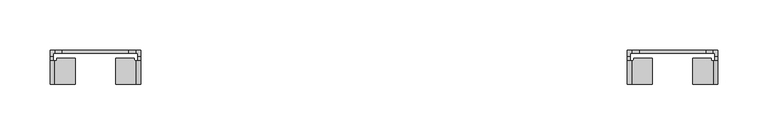
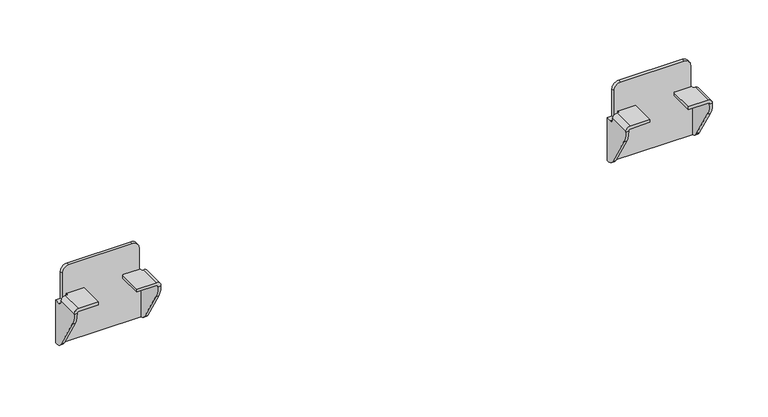
"""IFC4 building model written with IfcOpenShell, lengths in millimetres: furniture geometry."""

from ifc_helpers import new_model, si_unit, frame, origin, place, context, project, spatial, polyline, circle_curve, source, transform, mapped, element, save
from ifc_brep_helpers import plane_surface, cylinder_surface, revolved_surface, advanced_brep


def furniture_c36ca476(model_context):
    return source(origin(), model_context, "Body", "AdvancedBrep", [
        advanced_brep(
        [(721.9999933, 1.06716, 620.0380983), (721.9999933, 4.1049999, 620.0380983), (716.9999987, 4.1049999, 620.0380983), (716.9999987, -1.6875933, 620.0380983), (720.0378311, -1.6875933, 620.0380983), (720.0378311, 1.06716, 620.0380983), (802.0000067, 4.1049999, 620.0380983), (802.0000067, 1.06716, 620.0380983), (803.9621689, 1.06716, 620.0380983), (803.9621689, -1.6875933, 620.0380983), (807.0000013, -1.6875933, 620.0380983), (807.0000013, 4.1049999, 620.0380983), (801.9999885, 4.1049999, 649.8381144), (801.9999885, 1.06716, 649.8381144), (794.9999979, 4.1049999, 656.838105), (794.9999979, 1.06716, 656.838105), (729.0000021, 4.1049999, 656.838105), (729.0000021, 1.06716, 656.838105), (721.9999933, 4.1049999, 649.8380962), (721.9999933, 1.06716, 649.8380962), (741.9999989, -29.5203411, 626.5001312), (741.9999989, -29.5203411, 629.5379545), (721.4425228, -29.5203411, 629.5379545), (716.9999987, -29.5203411, 625.0954304), (716.9999987, -29.5203411, 624.6295199), (720.0378311, -29.5203411, 624.6295199), (720.0378311, -29.5203411, 625.0357436), (721.5022188, -29.5203411, 626.5001312), (782.0000011, -29.5203411, 626.5001312), (802.4977812, -29.5203411, 626.5001312), (803.9621689, -29.5203411, 625.0357436), (803.9621689, -29.5203411, 624.6295199), (807.0000013, -29.5203411, 624.6295199), (807.0000013, -29.5203411, 625.0954304), (802.5574772, -29.5203411, 629.5379545), (782.0000011, -29.5203411, 629.5379545), (807.0000013, 4.1049999, 573.0381329), (716.9999987, 4.1049999, 573.0381329), (741.9999989, -4.3999769, 626.5001312), (741.9999989, -4.3999769, 629.5379545), (741.1203621, -3.5203401, 629.5379545), (724.237616, -3.5203401, 629.5379545), (723.4999926, -4.2579635, 629.5379545), (723.4999926, -5.4397153, 629.5379545), (722.9193678, -6.0203402, 629.5379545), (721.4425228, -6.0203402, 629.5379545), (716.9999987, -6.0203402, 625.0954304), (716.9999987, -6.0203402, 624.3708452), (716.9999987, 0.8823599, 573.0381329), (716.9999987, -5.9290326, 577.9183582), (716.9999987, -25.8702399, 611.375914), (720.0378311, 0.8823599, 573.0381329), (807.0000013, 0.8823599, 573.0381329), (803.9621689, 0.8823599, 573.0381329), (803.9621689, 1.06716, 573.0381329), (720.0378311, 1.06716, 573.0381329), (720.0378311, -25.8702399, 611.375914), (720.0378311, -5.9290326, 577.9183582), (720.0378311, -6.0203402, 624.3708452), (720.0378311, -6.0203402, 625.0357436), (721.5022188, -6.0203402, 626.5001312), (722.9193678, -6.0203402, 626.5001312), (723.4999926, -5.4397153, 626.5001312), (723.4999926, -4.2579635, 626.5001312), (724.237616, -3.5203401, 626.5001312), (741.1203621, -3.5203401, 626.5001312), (782.0000011, -4.3999769, 626.5001312), (782.8796379, -3.5203401, 626.5001312), (799.762384, -3.5203401, 626.5001312), (800.5000074, -4.2579635, 626.5001312), (800.5000074, -5.4397153, 626.5001312), (801.0806322, -6.0203402, 626.5001312), (802.4977812, -6.0203402, 626.5001312), (803.9621689, -6.0203402, 625.0357436), (803.9621689, -6.0203402, 624.3708452), (803.9621689, -5.9290326, 577.9183582), (803.9621689, -25.8702399, 611.375914), (807.0000013, -25.8702399, 611.375914), (807.0000013, -5.9290326, 577.9183582), (807.0000013, -6.0203402, 624.3708452), (807.0000013, -6.0203402, 625.0954304), (802.5574772, -6.0203402, 629.5379545), (801.0806322, -6.0203402, 629.5379545), (800.5000074, -5.4397153, 629.5379545), (800.5000074, -4.2579635, 629.5379545), (799.762384, -3.5203401, 629.5379545), (782.8796379, -3.5203401, 629.5379545), (782.0000011, -4.3999769, 629.5379545)],
        [
            (0, 1),
            (1, 2),
            (2, 3),
            (3, 4),
            (4, 5),
            (5, 0),
            (6, 7),
            (7, 8),
            (8, 9),
            (9, 10),
            (10, 11),
            (11, 6),
            (12, 13),
            (13, 7),
            (6, 12),
            (12, 14, circle_curve(frame((794.9999979, 4.1049999, 649.8381144), z_axis=(0.0, -1.0, 0.0), x_axis=(1.0, 0.0, 0.0)), 6.9999906)),
            (14, 15),
            (15, 13, circle_curve(frame((794.9999979, 1.06716, 649.8381144), z_axis=(0.0, 1.0, 0.0), x_axis=(1.0, 0.0, 0.0)), 6.9999906)),
            (14, 16),
            (16, 17),
            (17, 15),
            (16, 18, circle_curve(frame((729.0000021, 4.1049999, 649.8380962), z_axis=(0.0, -1.0, 0.0), x_axis=(1.0, 0.0, 0.0)), 7.0000088)),
            (18, 19),
            (19, 17, circle_curve(frame((729.0000021, 1.06716, 649.8380962), z_axis=(0.0, 1.0, 0.0), x_axis=(1.0, 0.0, 0.0)), 7.0000088)),
            (18, 1),
            (0, 19),
            (20, 21),
            (21, 22),
            (22, 23, circle_curve(frame((721.4425228, -29.5203411, 625.0954304), z_axis=(0.0, -1.0, 0.0), x_axis=(1.0, 0.0, 0.0)), 4.4425241)),
            (23, 24),
            (24, 25),
            (25, 26),
            (26, 27, circle_curve(frame((721.5022188, -29.5203411, 625.0357436), z_axis=(0.0, 1.0, 0.0), x_axis=(1.0, 0.0, 0.0)), 1.4643876)),
            (27, 20),
            (28, 29),
            (29, 30, circle_curve(frame((802.4977812, -29.5203411, 625.0357436), z_axis=(0.0, 1.0, 0.0), x_axis=(-1.0, 0.0, 0.0)), 1.4643876)),
            (30, 31),
            (31, 32),
            (32, 33),
            (33, 34, circle_curve(frame((802.5574772, -29.5203411, 625.0954304), z_axis=(0.0, -1.0, 0.0), x_axis=(-1.0, 0.0, 0.0)), 4.4425241)),
            (34, 35),
            (35, 28),
            (11, 36),
            (36, 37),
            (37, 2),
            (20, 38),
            (38, 39),
            (39, 21),
            (39, 40, circle_curve(frame((741.1203621, -4.3999769, 629.5379545), z_axis=(0.0, 0.0, 1.0), x_axis=(1.0, 0.0, 0.0)), 0.8796369)),
            (40, 41),
            (41, 42, circle_curve(frame((724.237616, -4.2579635, 629.5379545), z_axis=(0.0, 0.0, 1.0), x_axis=(1.0, 0.0, 0.0)), 0.7376234)),
            (42, 43),
            (43, 44, circle_curve(frame((722.9193678, -5.4397153, 629.5379545), z_axis=(0.0, 0.0, -1.0), x_axis=(1.0, 0.0, 0.0)), 0.5806249)),
            (44, 45),
            (45, 22),
            (45, 46, circle_curve(frame((721.4425228, -6.0203402, 625.0954304), z_axis=(0.0, -1.0, 0.0), x_axis=(1.0, 0.0, 0.0)), 4.4425241)),
            (46, 23),
            (46, 47),
            (47, 3, circle_curve(frame((716.9999987, -1.6875933, 624.3708452), z_axis=(1.0, 0.0, 0.0), x_axis=(0.0, -1.0, 0.0)), 4.3327469)),
            (37, 48),
            (48, 49, circle_curve(frame((716.9999987, 3.066225, 583.2796673), z_axis=(-1.0, 0.0, 0.0), x_axis=(0.0, -1.0, 0.0)), 10.4717856)),
            (49, 50),
            (50, 24, circle_curve(frame((716.9999987, -3.6332082, 624.6295199), z_axis=(-1.0, 0.0, 0.0), x_axis=(0.0, -1.0, 0.0)), 25.8871329)),
            (51, 48),
            (36, 52),
            (52, 53),
            (53, 54),
            (54, 55),
            (55, 51),
            (25, 56, circle_curve(frame((720.0378311, -3.6332082, 624.6295199), z_axis=(1.0, 0.0, 0.0), x_axis=(0.0, -1.0, 0.0)), 25.8871329)),
            (56, 57),
            (57, 51, circle_curve(frame((720.0378311, 3.066225, 583.2796673), z_axis=(1.0, 0.0, 0.0), x_axis=(0.0, -1.0, 0.0)), 10.4717856)),
            (55, 5),
            (4, 58, circle_curve(frame((720.0378311, -1.6875933, 624.3708452), z_axis=(-1.0, 0.0, 0.0), x_axis=(0.0, -1.0, 0.0)), 4.3327469)),
            (58, 59),
            (59, 26),
            (59, 60, circle_curve(frame((721.5022188, -6.0203402, 625.0357436), z_axis=(0.0, 1.0, 0.0), x_axis=(1.0, 0.0, 0.0)), 1.4643876)),
            (60, 27),
            (60, 61),
            (61, 62, circle_curve(frame((722.9193678, -5.4397153, 626.5001312), z_axis=(0.0, 0.0, 1.0), x_axis=(1.0, 0.0, 0.0)), 0.5806249)),
            (62, 63),
            (63, 64, circle_curve(frame((724.237616, -4.2579635, 626.5001312), z_axis=(0.0, 0.0, -1.0), x_axis=(1.0, 0.0, 0.0)), 0.7376234)),
            (64, 65),
            (65, 38, circle_curve(frame((741.1203621, -4.3999769, 626.5001312), z_axis=(0.0, 0.0, -1.0), x_axis=(1.0, 0.0, 0.0)), 0.8796369)),
            (28, 66),
            (66, 67, circle_curve(frame((782.8796379, -4.3999769, 626.5001312), z_axis=(0.0, 0.0, -1.0), x_axis=(-1.0, 0.0, 0.0)), 0.8796369)),
            (67, 68),
            (68, 69, circle_curve(frame((799.762384, -4.2579635, 626.5001312), z_axis=(0.0, 0.0, -1.0), x_axis=(-1.0, 0.0, 0.0)), 0.7376234)),
            (69, 70),
            (70, 71, circle_curve(frame((801.0806322, -5.4397153, 626.5001312), z_axis=(0.0, 0.0, 1.0), x_axis=(-1.0, 0.0, 0.0)), 0.5806249)),
            (71, 72),
            (72, 29),
            (72, 73, circle_curve(frame((802.4977812, -6.0203402, 625.0357436), z_axis=(0.0, 1.0, 0.0), x_axis=(-1.0, 0.0, 0.0)), 1.4643876)),
            (73, 30),
            (73, 74),
            (74, 9, circle_curve(frame((803.9621689, -1.6875933, 624.3708452), z_axis=(1.0, 0.0, 0.0), x_axis=(0.0, -1.0, 0.0)), 4.3327469)),
            (8, 54),
            (53, 75, circle_curve(frame((803.9621689, 3.066225, 583.2796673), z_axis=(-1.0, 0.0, 0.0), x_axis=(0.0, -1.0, 0.0)), 10.4717856)),
            (75, 76),
            (76, 31, circle_curve(frame((803.9621689, -3.6332082, 624.6295199), z_axis=(-1.0, 0.0, 0.0), x_axis=(0.0, -1.0, 0.0)), 25.8871329)),
            (32, 77, circle_curve(frame((807.0000013, -3.6332082, 624.6295199), z_axis=(1.0, 0.0, 0.0), x_axis=(0.0, -1.0, 0.0)), 25.8871329)),
            (77, 78),
            (78, 52, circle_curve(frame((807.0000013, 3.066225, 583.2796673), z_axis=(1.0, 0.0, 0.0), x_axis=(0.0, -1.0, 0.0)), 10.4717856)),
            (10, 79, circle_curve(frame((807.0000013, -1.6875933, 624.3708452), z_axis=(-1.0, 0.0, 0.0), x_axis=(0.0, -1.0, 0.0)), 4.3327469)),
            (79, 80),
            (80, 33),
            (80, 81, circle_curve(frame((802.5574772, -6.0203402, 625.0954304), z_axis=(0.0, -1.0, 0.0), x_axis=(-1.0, 0.0, 0.0)), 4.4425241)),
            (81, 34),
            (81, 82),
            (82, 83, circle_curve(frame((801.0806322, -5.4397153, 629.5379545), z_axis=(0.0, 0.0, -1.0), x_axis=(-1.0, 0.0, 0.0)), 0.5806249)),
            (83, 84),
            (84, 85, circle_curve(frame((799.762384, -4.2579635, 629.5379545), z_axis=(0.0, 0.0, 1.0), x_axis=(-1.0, 0.0, 0.0)), 0.7376234)),
            (85, 86),
            (86, 87, circle_curve(frame((782.8796379, -4.3999769, 629.5379545), z_axis=(0.0, 0.0, 1.0), x_axis=(-1.0, 0.0, 0.0)), 0.8796369)),
            (87, 35),
            (87, 66),
            (49, 57),
            (56, 50),
            (75, 78),
            (77, 76),
            (47, 58),
            (74, 79),
            (64, 41),
            (40, 65),
            (44, 61),
            (43, 62),
            (42, 63),
            (68, 85),
            (84, 69),
            (83, 70),
            (82, 71),
            (86, 67),
        ],
        [
            plane_surface(frame((720.8182251, 1.06716, 620.0380983), z_axis=(0.0, 0.0, 1.0), x_axis=(0.0, 1.0, 0.0))),
            plane_surface(frame((807.0000013, 1.06716, 620.0380983), z_axis=(0.0, 0.0, 1.0), x_axis=(0.0, 1.0, 0.0))),
            plane_surface(frame((801.9999885, 1.06716, 621.2198666), z_axis=(1.0, 0.0, 0.0), x_axis=(0.0, 1.0, 0.0))),
            cylinder_surface(frame((794.9999979, 4.1049999, 649.8381144), z_axis=(0.0, -1.0, 0.0), x_axis=(1.0, 0.0, 0.0)), 6.9999906),
            plane_surface(frame((794.9999979, 1.06716, 656.838105), z_axis=(0.0, 0.0, 1.0), x_axis=(0.0, 1.0, 0.0))),
            cylinder_surface(frame((729.0000021, 4.1049999, 649.8380962), z_axis=(0.0, -1.0, 0.0), x_axis=(1.0, 0.0, 0.0)), 7.0000088),
            plane_surface(frame((721.9999933, 1.06716, 649.8380962), z_axis=(-1.0, 0.0, 0.0), x_axis=(0.0, 1.0, 0.0))),
            plane_surface(frame((741.9999989, -29.5203411, 629.5379545), z_axis=(0.0, -1.0, 0.0), x_axis=(0.0, 0.0, 1.0))),
            plane_surface(frame((741.9999989, 4.1049999, 629.5379545), z_axis=(0.0, 1.0, 0.0), x_axis=(0.0, 0.0, -1.0))),
            plane_surface(frame((741.9999989, -29.5203411, 626.5001312), z_axis=(1.0, 0.0, 0.0), x_axis=(0.0, 1.0, 0.0))),
            plane_surface(frame((741.9999989, -29.5203411, 629.5379545), z_axis=(0.0, 0.0, 1.0), x_axis=(0.0, 1.0, 0.0))),
            cylinder_surface(frame((721.4425228, 4.1049999, 625.0954304), z_axis=(0.0, -1.0, 0.0), x_axis=(1.0, 0.0, 0.0)), 4.4425241),
            plane_surface(frame((716.9999987, -29.5203411, 625.0954304), z_axis=(-1.0, 0.0, 0.0), x_axis=(0.0, 1.0, 0.0))),
            plane_surface(frame((716.9999987, -29.5203411, 573.0381329), z_axis=(0.0, 0.0, -1.0), x_axis=(0.0, 1.0, 0.0))),
            plane_surface(frame((720.0378311, -29.5203411, 573.0381329), z_axis=(1.0, 0.0, 0.0), x_axis=(0.0, 1.0, 0.0))),
            revolved_surface(polyline([(722.9666064, -6.020340199999999, 625.0357436), (722.9666064, -29.5203411, 625.0357436)]), (721.5022188, 4.1049999, 625.0357436), (0.0, 1.0, 0.0)),
            plane_surface(frame((721.5022188, -29.5203411, 626.5001312), z_axis=(0.0, 0.0, -1.0), x_axis=(0.0, 1.0, 0.0))),
            plane_surface(frame((782.0000011, -29.5203411, 626.5001312), z_axis=(0.0, 0.0, -1.0), x_axis=(0.0, 1.0, 0.0))),
            revolved_surface(polyline([(801.0333936, -6.0203402, 625.0357436), (801.0333936, -29.5203411, 625.0357436)]), (802.4977812, 0.0, 625.0357436), (0.0, 1.0, 0.0)),
            plane_surface(frame((803.9621689, -29.5203411, 625.0357436), z_axis=(-1.0, 0.0, 0.0), x_axis=(0.0, 1.0, 0.0))),
            plane_surface(frame((807.0000013, -29.5203411, 573.0381329), z_axis=(1.0, 0.0, 0.0), x_axis=(0.0, 1.0, 0.0))),
            cylinder_surface(frame((802.5574772, 0.0, 625.0954304), z_axis=(0.0, -1.0, 0.0), x_axis=(-1.0, 0.0, 0.0)), 4.4425241),
            plane_surface(frame((802.5574772, -29.5203411, 629.5379545), z_axis=(0.0, 0.0, 1.0), x_axis=(0.0, 1.0, 0.0))),
            plane_surface(frame((782.0000011, -29.5203411, 629.5379545), z_axis=(-1.0, 0.0, 0.0), x_axis=(0.0, 1.0, 0.0))),
            plane_surface(frame((809.5335525, -5.9290326, 577.9183582), z_axis=(0.0, -0.8589994037788274, -0.5119765857025291), x_axis=(-1.0, 0.0, 0.0))),
            cylinder_surface(frame((714.7902719, -3.6332082, 624.6295199), z_axis=(-1.0, 0.0, 0.0), x_axis=(0.0, -1.0, 0.0)), 25.8871329),
            cylinder_surface(frame((714.7902719, 3.066225, 583.2796673), z_axis=(-1.0, 0.0, 0.0), x_axis=(0.0, -1.0, 0.0)), 10.4717856),
            revolved_surface(polyline([(720.0378311, -6.0203402, 624.3708452), (716.9999987, -6.0203402, 624.3708452)]), (714.7902719, -1.6875933, 624.3708452), (1.0, 0.0, 0.0)),
            revolved_surface(polyline([(803.9621689, -6.0203402, 624.3708452), (807.0000013, -6.0203402, 624.3708452)]), (809.2097281, -1.6875933, 624.3708452), (-1.0, 0.0, 0.0)),
            plane_surface(frame((724.237616, -3.5203401, 663.2138968), z_axis=(0.0, 1.0, 0.0), x_axis=(0.0, 0.0, -1.0))),
            cylinder_surface(frame((741.1203621, -4.3999769, 560.9501359), z_axis=(0.0, 0.0, -1.0), x_axis=(1.0, 0.0, 0.0)), 0.8796369),
            plane_surface(frame((741.9999989, 1.06716, 663.2138968), z_axis=(0.0, -1.0, 0.0), x_axis=(0.0, 0.0, -1.0))),
            plane_surface(frame((721.9999933, -6.0203402, 663.2138968), z_axis=(0.0, 1.0, 0.0), x_axis=(0.0, 0.0, -1.0))),
            revolved_surface(polyline([(723.4999927, -5.4397153, 629.5379545), (723.4999927, -5.4397153, 626.5001312)]), (722.9193678, -5.4397153, 560.9501359), (0.0, 0.0, 1.0)),
            plane_surface(frame((723.4999926, -5.4397153, 663.2138968), z_axis=(-1.0, 0.0, 0.0), x_axis=(0.0, 0.0, -1.0))),
            cylinder_surface(frame((724.237616, -4.2579635, 560.9501359), z_axis=(0.0, 0.0, -1.0), x_axis=(1.0, 0.0, 0.0)), 0.7376234),
            cylinder_surface(frame((799.762384, -4.2579635, 48.3485614), z_axis=(0.0, 0.0, -1.0), x_axis=(-1.0, 0.0, 0.0)), 0.7376234),
            plane_surface(frame((800.5000074, -4.2579635, 663.2138968), z_axis=(1.0, 0.0, 0.0), x_axis=(0.0, 0.0, -1.0))),
            revolved_surface(polyline([(800.5000073, -5.4397153, 629.5379545), (800.5000073, -5.4397153, 626.5001312)]), (801.0806322, -5.4397153, 48.3485614), (0.0, 0.0, 1.0)),
            plane_surface(frame((801.0806322, -6.0203402, 663.2138968), z_axis=(0.0, 1.0, 0.0), x_axis=(0.0, 0.0, -1.0))),
            cylinder_surface(frame((782.8796379, -4.3999769, 48.3485614), z_axis=(0.0, 0.0, -1.0), x_axis=(-1.0, 0.0, 0.0)), 0.8796369),
            plane_surface(frame((782.8796379, -3.5203401, 663.2138968), z_axis=(0.0, 1.0, 0.0), x_axis=(0.0, 0.0, -1.0))),
        ],
        [
            (0, [[1, 2, 3, 4, 5, 6]]),
            (1, [[7, 8, 9, 10, 11, 12]]),
            (2, [[13, 14, -7, 15]]),
            (3, [[16, 17, 18, -13]]),
            (4, [[19, 20, 21, -17]]),
            (5, [[22, 23, 24, -20]]),
            (6, [[-23, 25, -1, 26]]),
            (7, [[27, 28, 29, 30, 31, 32, 33, 34]]),
            (7, [[35, 36, 37, 38, 39, 40, 41, 42]]),
            (8, [[-22, -19, -16, -15, -12, 43, 44, 45, -2, -25]]),
            (9, [[-27, 46, 47, 48]]),
            (10, [[-28, -48, 49, 50, 51, 52, 53, 54, 55]]),
            (11, [[-29, -55, 56, 57]]),
            (12, [[-30, -57, 58, 59, -3, -45, 60, 61, 62, 63]]),
            (13, [[64, -60, -44, 65, 66, 67, 68, 69]]),
            (14, [[-32, 70, 71, 72, -69, 73, -5, 74, 75, 76]]),
            (15, [[-33, -76, 77, 78]]),
            (16, [[-34, -78, 79, 80, 81, 82, 83, 84, -46]]),
            (17, [[-35, 85, 86, 87, 88, 89, 90, 91, 92]]),
            (18, [[-36, -92, 93, 94]]),
            (19, [[-37, -94, 95, 96, -9, 97, -67, 98, 99, 100]]),
            (20, [[-39, 101, 102, 103, -65, -43, -11, 104, 105, 106]]),
            (21, [[-40, -106, 107, 108]]),
            (22, [[-41, -108, 109, 110, 111, 112, 113, 114, 115]]),
            (23, [[-42, -115, 116, -85]]),
            (24, [[117, -71, 118, -62]]),
            (24, [[119, -102, 120, -99]]),
            (25, [[-118, -70, -31, -63]]),
            (25, [[-120, -101, -38, -100]]),
            (26, [[-117, -61, -64, -72]]),
            (26, [[-119, -98, -66, -103]]),
            (27, [[121, -74, -4, -59]]),
            (28, [[122, -104, -10, -96]]),
            (29, [[123, -50, 124, -83]]),
            (30, [[-124, -49, -47, -84]]),
            (31, [[-14, -18, -21, -24, -26, -6, -73, -68, -97, -8]]),
            (32, [[125, -79, -77, -75, -121, -58, -56, -54]]),
            (33, [[-125, -53, 126, -80]]),
            (34, [[-126, -52, 127, -81]]),
            (35, [[-123, -82, -127, -51]]),
            (36, [[128, -112, 129, -88]]),
            (37, [[-129, -111, 130, -89]]),
            (38, [[-130, -110, 131, -90]]),
            (39, [[-131, -109, -107, -105, -122, -95, -93, -91]]),
            (40, [[132, -86, -116, -114]]),
            (41, [[-128, -87, -132, -113]]),
        ],
    ),
        advanced_brep(
        [(1374.9478062, 1.06716, 620.0380983), (1376.9099684, 1.06716, 620.0380983), (1376.9099684, -1.6875933, 620.0380983), (1379.9478008, -1.6875933, 620.0380983), (1379.9478008, 4.1049999, 620.0380983), (1374.9478062, 4.1049999, 620.0380983), (1294.9477929, 4.1049999, 620.0380983), (1289.9477983, 4.1049999, 620.0380983), (1289.9477983, -1.6875933, 620.0380983), (1292.9856307, -1.6875933, 620.0380983), (1292.9856307, 1.06716, 620.0380983), (1294.9477929, 1.06716, 620.0380983), (1294.947811, 4.1049999, 649.8381144), (1294.947811, 1.06716, 649.8381144), (1301.9478016, 1.06716, 656.838105), (1301.9478016, 4.1049999, 656.838105), (1367.9477974, 1.06716, 656.838105), (1367.9477974, 4.1049999, 656.838105), (1374.9478062, 1.06716, 649.8380962), (1374.9478062, 4.1049999, 649.8380962), (1354.9478006, -29.5203411, 626.5001312), (1375.4455808, -29.5203411, 626.5001312), (1376.9099684, -29.5203411, 625.0357436), (1376.9099684, -29.5203411, 624.6295199), (1379.9478008, -29.5203411, 624.6295199), (1379.9478008, -29.5203411, 625.0954304), (1375.5052767, -29.5203411, 629.5379545), (1354.9478006, -29.5203411, 629.5379545), (1314.9477985, -29.5203411, 626.5001312), (1314.9477985, -29.5203411, 629.5379545), (1294.3903224, -29.5203411, 629.5379545), (1289.9477983, -29.5203411, 625.0954304), (1289.9477983, -29.5203411, 624.6295199), (1292.9856307, -29.5203411, 624.6295199), (1292.9856307, -29.5203411, 625.0357436), (1294.4500183, -29.5203411, 626.5001312), (1379.9478008, 4.1049999, 573.0381329), (1289.9477983, 4.1049999, 573.0381329), (1354.9478006, -4.3999769, 629.5379545), (1354.9478006, -4.3999769, 626.5001312), (1375.5052767, -6.0203402, 629.5379545), (1374.0284318, -6.0203402, 629.5379545), (1373.4478069, -5.4397153, 629.5379545), (1373.4478069, -4.2579635, 629.5379545), (1372.7101835, -3.5203401, 629.5379545), (1355.8274375, -3.5203401, 629.5379545), (1379.9478008, -6.0203402, 625.0954304), (1379.9478008, -25.8702399, 611.375914), (1379.9478008, -5.9290326, 577.9183582), (1379.9478008, 0.8823599, 573.0381329), (1379.9478008, -6.0203402, 624.3708452), (1376.9099684, 0.8823599, 573.0381329), (1376.9099684, 1.06716, 573.0381329), (1292.9856307, 1.06716, 573.0381329), (1292.9856307, 0.8823599, 573.0381329), (1289.9477983, 0.8823599, 573.0381329), (1376.9099684, -6.0203402, 625.0357436), (1376.9099684, -6.0203402, 624.3708452), (1376.9099684, -5.9290326, 577.9183582), (1376.9099684, -25.8702399, 611.375914), (1375.4455808, -6.0203402, 626.5001312), (1355.8274375, -3.5203401, 626.5001312), (1372.7101835, -3.5203401, 626.5001312), (1373.4478069, -4.2579635, 626.5001312), (1373.4478069, -5.4397153, 626.5001312), (1374.0284318, -6.0203402, 626.5001312), (1294.4500183, -6.0203402, 626.5001312), (1295.8671673, -6.0203402, 626.5001312), (1296.4477921, -5.4397153, 626.5001312), (1296.4477921, -4.2579635, 626.5001312), (1297.1854155, -3.5203401, 626.5001312), (1314.0681616, -3.5203401, 626.5001312), (1314.9477985, -4.3999769, 626.5001312), (1292.9856307, -6.0203402, 625.0357436), (1292.9856307, -25.8702399, 611.375914), (1292.9856307, -5.9290326, 577.9183582), (1292.9856307, -6.0203402, 624.3708452), (1289.9477983, -6.0203402, 625.0954304), (1289.9477983, -6.0203402, 624.3708452), (1289.9477983, -5.9290326, 577.9183582), (1289.9477983, -25.8702399, 611.375914), (1294.3903224, -6.0203402, 629.5379545), (1314.9477985, -4.3999769, 629.5379545), (1314.0681616, -3.5203401, 629.5379545), (1297.1854155, -3.5203401, 629.5379545), (1296.4477921, -4.2579635, 629.5379545), (1296.4477921, -5.4397153, 629.5379545), (1295.8671673, -6.0203402, 629.5379545)],
        [
            (0, 1),
            (1, 2),
            (2, 3),
            (3, 4),
            (4, 5),
            (5, 0),
            (6, 7),
            (7, 8),
            (8, 9),
            (9, 10),
            (10, 11),
            (11, 6),
            (12, 6),
            (11, 13),
            (13, 12),
            (13, 14, circle_curve(frame((1301.9478016, 1.06716, 649.8381144), z_axis=(0.0, 1.0, 0.0), x_axis=(-1.0, 0.0, 0.0)), 6.9999906)),
            (14, 15),
            (15, 12, circle_curve(frame((1301.9478016, 4.1049999, 649.8381144), z_axis=(0.0, -1.0, 0.0), x_axis=(-1.0, 0.0, 0.0)), 6.9999906)),
            (14, 16),
            (16, 17),
            (17, 15),
            (16, 18, circle_curve(frame((1367.9477974, 1.06716, 649.8380962), z_axis=(0.0, 1.0, 0.0), x_axis=(-1.0, 0.0, 0.0)), 7.0000088)),
            (18, 19),
            (19, 17, circle_curve(frame((1367.9477974, 4.1049999, 649.8380962), z_axis=(0.0, -1.0, 0.0), x_axis=(-1.0, 0.0, 0.0)), 7.0000088)),
            (18, 0),
            (5, 19),
            (20, 21),
            (21, 22, circle_curve(frame((1375.4455808, -29.5203411, 625.0357436), z_axis=(0.0, 1.0, 0.0), x_axis=(-1.0, 0.0, 0.0)), 1.4643876)),
            (22, 23),
            (23, 24),
            (24, 25),
            (25, 26, circle_curve(frame((1375.5052767, -29.5203411, 625.0954304), z_axis=(0.0, -1.0, 0.0), x_axis=(-1.0, 0.0, 0.0)), 4.4425241)),
            (26, 27),
            (27, 20),
            (28, 29),
            (29, 30),
            (30, 31, circle_curve(frame((1294.3903224, -29.5203411, 625.0954304), z_axis=(0.0, -1.0, 0.0), x_axis=(1.0, 0.0, 0.0)), 4.4425241)),
            (31, 32),
            (32, 33),
            (33, 34),
            (34, 35, circle_curve(frame((1294.4500183, -29.5203411, 625.0357436), z_axis=(0.0, 1.0, 0.0), x_axis=(1.0, 0.0, 0.0)), 1.4643876)),
            (35, 28),
            (4, 36),
            (36, 37),
            (37, 7),
            (27, 38),
            (38, 39),
            (39, 20),
            (26, 40),
            (40, 41),
            (41, 42, circle_curve(frame((1374.0284318, -5.4397153, 629.5379545), z_axis=(0.0, 0.0, -1.0), x_axis=(-1.0, 0.0, 0.0)), 0.5806249)),
            (42, 43),
            (43, 44, circle_curve(frame((1372.7101835, -4.2579635, 629.5379545), z_axis=(0.0, 0.0, 1.0), x_axis=(-1.0, 0.0, 0.0)), 0.7376234)),
            (44, 45),
            (45, 38, circle_curve(frame((1355.8274375, -4.3999769, 629.5379545), z_axis=(0.0, 0.0, 1.0), x_axis=(-1.0, 0.0, 0.0)), 0.8796369)),
            (25, 46),
            (46, 40, circle_curve(frame((1375.5052767, -6.0203402, 625.0954304), z_axis=(0.0, -1.0, 0.0), x_axis=(-1.0, 0.0, 0.0)), 4.4425241)),
            (24, 47, circle_curve(frame((1379.9478008, -3.6332082, 624.6295199), z_axis=(1.0, 0.0, 0.0), x_axis=(0.0, -1.0, 0.0)), 25.8871329)),
            (47, 48),
            (48, 49, circle_curve(frame((1379.9478008, 3.066225, 583.2796673), z_axis=(1.0, 0.0, 0.0), x_axis=(0.0, -1.0, 0.0)), 10.4717856)),
            (49, 36),
            (3, 50, circle_curve(frame((1379.9478008, -1.6875933, 624.3708452), z_axis=(-1.0, 0.0, 0.0), x_axis=(0.0, -1.0, 0.0)), 4.3327469)),
            (50, 46),
            (51, 52),
            (52, 53),
            (53, 54),
            (54, 55),
            (55, 37),
            (49, 51),
            (22, 56),
            (56, 57),
            (57, 2, circle_curve(frame((1376.9099684, -1.6875933, 624.3708452), z_axis=(1.0, 0.0, 0.0), x_axis=(0.0, -1.0, 0.0)), 4.3327469)),
            (1, 52),
            (51, 58, circle_curve(frame((1376.9099684, 3.066225, 583.2796673), z_axis=(-1.0, 0.0, 0.0), x_axis=(0.0, -1.0, 0.0)), 10.4717856)),
            (58, 59),
            (59, 23, circle_curve(frame((1376.9099684, -3.6332082, 624.6295199), z_axis=(-1.0, 0.0, 0.0), x_axis=(0.0, -1.0, 0.0)), 25.8871329)),
            (21, 60),
            (60, 56, circle_curve(frame((1375.4455808, -6.0203402, 625.0357436), z_axis=(0.0, 1.0, 0.0), x_axis=(-1.0, 0.0, 0.0)), 1.4643876)),
            (39, 61, circle_curve(frame((1355.8274375, -4.3999769, 626.5001312), z_axis=(0.0, 0.0, -1.0), x_axis=(-1.0, 0.0, 0.0)), 0.8796369)),
            (61, 62),
            (62, 63, circle_curve(frame((1372.7101835, -4.2579635, 626.5001312), z_axis=(0.0, 0.0, -1.0), x_axis=(-1.0, 0.0, 0.0)), 0.7376234)),
            (63, 64),
            (64, 65, circle_curve(frame((1374.0284318, -5.4397153, 626.5001312), z_axis=(0.0, 0.0, 1.0), x_axis=(-1.0, 0.0, 0.0)), 0.5806249)),
            (65, 60),
            (35, 66),
            (66, 67),
            (67, 68, circle_curve(frame((1295.8671673, -5.4397153, 626.5001312), z_axis=(0.0, 0.0, 1.0), x_axis=(1.0, 0.0, 0.0)), 0.5806249)),
            (68, 69),
            (69, 70, circle_curve(frame((1297.1854155, -4.2579635, 626.5001312), z_axis=(0.0, 0.0, -1.0), x_axis=(1.0, 0.0, 0.0)), 0.7376234)),
            (70, 71),
            (71, 72, circle_curve(frame((1314.0681616, -4.3999769, 626.5001312), z_axis=(0.0, 0.0, -1.0), x_axis=(1.0, 0.0, 0.0)), 0.8796369)),
            (72, 28),
            (34, 73),
            (73, 66, circle_curve(frame((1294.4500183, -6.0203402, 625.0357436), z_axis=(0.0, 1.0, 0.0), x_axis=(1.0, 0.0, 0.0)), 1.4643876)),
            (33, 74, circle_curve(frame((1292.9856307, -3.6332082, 624.6295199), z_axis=(1.0, 0.0, 0.0), x_axis=(0.0, -1.0, 0.0)), 25.8871329)),
            (74, 75),
            (75, 54, circle_curve(frame((1292.9856307, 3.066225, 583.2796673), z_axis=(1.0, 0.0, 0.0), x_axis=(0.0, -1.0, 0.0)), 10.4717856)),
            (53, 10),
            (9, 76, circle_curve(frame((1292.9856307, -1.6875933, 624.3708452), z_axis=(-1.0, 0.0, 0.0), x_axis=(0.0, -1.0, 0.0)), 4.3327469)),
            (76, 73),
            (31, 77),
            (77, 78),
            (78, 8, circle_curve(frame((1289.9477983, -1.6875933, 624.3708452), z_axis=(1.0, 0.0, 0.0), x_axis=(0.0, -1.0, 0.0)), 4.3327469)),
            (55, 79, circle_curve(frame((1289.9477983, 3.066225, 583.2796673), z_axis=(-1.0, 0.0, 0.0), x_axis=(0.0, -1.0, 0.0)), 10.4717856)),
            (79, 80),
            (80, 32, circle_curve(frame((1289.9477983, -3.6332082, 624.6295199), z_axis=(-1.0, 0.0, 0.0), x_axis=(0.0, -1.0, 0.0)), 25.8871329)),
            (30, 81),
            (81, 77, circle_curve(frame((1294.3903224, -6.0203402, 625.0954304), z_axis=(0.0, -1.0, 0.0), x_axis=(1.0, 0.0, 0.0)), 4.4425241)),
            (29, 82),
            (82, 83, circle_curve(frame((1314.0681616, -4.3999769, 629.5379545), z_axis=(0.0, 0.0, 1.0), x_axis=(1.0, 0.0, 0.0)), 0.8796369)),
            (83, 84),
            (84, 85, circle_curve(frame((1297.1854155, -4.2579635, 629.5379545), z_axis=(0.0, 0.0, 1.0), x_axis=(1.0, 0.0, 0.0)), 0.7376234)),
            (85, 86),
            (86, 87, circle_curve(frame((1295.8671673, -5.4397153, 629.5379545), z_axis=(0.0, 0.0, -1.0), x_axis=(1.0, 0.0, 0.0)), 0.5806249)),
            (87, 81),
            (72, 82),
            (47, 59),
            (58, 48),
            (74, 80),
            (79, 75),
            (57, 50),
            (78, 76),
            (61, 45),
            (44, 62),
            (65, 41),
            (64, 42),
            (63, 43),
            (69, 85),
            (84, 70),
            (68, 86),
            (67, 87),
            (71, 83),
        ],
        [
            plane_surface(frame((1376.1295744, 1.06716, 620.0380983), z_axis=(0.0, 0.0, 1.0), x_axis=(0.0, 1.0, 0.0))),
            plane_surface(frame((1289.9477983, 1.06716, 620.0380983), z_axis=(0.0, 0.0, 1.0), x_axis=(0.0, 1.0, 0.0))),
            plane_surface(frame((1294.947811, 1.06716, 621.2198666), z_axis=(-1.0, 0.0, 0.0), x_axis=(0.0, 1.0, 0.0))),
            cylinder_surface(frame((1301.9478016, 4.1049999, 649.8381144), z_axis=(0.0, -1.0, 0.0), x_axis=(-1.0, 0.0, 0.0)), 6.9999906),
            plane_surface(frame((1301.9478016, 1.06716, 656.838105), z_axis=(0.0, 0.0, 1.0), x_axis=(0.0, 1.0, 0.0))),
            cylinder_surface(frame((1367.9477974, 4.1049999, 649.8380962), z_axis=(0.0, -1.0, 0.0), x_axis=(-1.0, 0.0, 0.0)), 7.0000088),
            plane_surface(frame((1374.9478062, 1.06716, 649.8380962), z_axis=(1.0, 0.0, 0.0), x_axis=(0.0, 1.0, 0.0))),
            plane_surface(frame((1354.9478006, -29.5203411, 629.5379545), z_axis=(0.0, -1.0, 0.0), x_axis=(0.0, 0.0, 1.0))),
            plane_surface(frame((1354.9478006, 4.1049999, 629.5379545), z_axis=(0.0, 1.0, 0.0), x_axis=(0.0, 0.0, -1.0))),
            plane_surface(frame((1354.9478006, -29.5203411, 626.5001312), z_axis=(-1.0, 0.0, 0.0), x_axis=(0.0, 1.0, 0.0))),
            plane_surface(frame((1354.9478006, -29.5203411, 629.5379545), z_axis=(0.0, 0.0, 1.0), x_axis=(0.0, 1.0, 0.0))),
            cylinder_surface(frame((1375.5052767, 4.1049999, 625.0954304), z_axis=(0.0, -1.0, 0.0), x_axis=(-1.0, 0.0, 0.0)), 4.4425241),
            plane_surface(frame((1379.9478008, -29.5203411, 625.0954304), z_axis=(1.0, 0.0, 0.0), x_axis=(0.0, 1.0, 0.0))),
            plane_surface(frame((1379.9478008, -29.5203411, 573.0381329), z_axis=(0.0, 0.0, -1.0), x_axis=(0.0, 1.0, 0.0))),
            plane_surface(frame((1376.9099684, -29.5203411, 573.0381329), z_axis=(-1.0, 0.0, 0.0), x_axis=(0.0, 1.0, 0.0))),
            revolved_surface(polyline([(1373.9811932, -6.020340199999999, 625.0357436), (1373.9811932, -29.5203411, 625.0357436)]), (1375.4455808, 4.1049999, 625.0357436), (0.0, 1.0, 0.0)),
            plane_surface(frame((1375.4455808, -29.5203411, 626.5001312), z_axis=(0.0, 0.0, -1.0), x_axis=(0.0, 1.0, 0.0))),
            plane_surface(frame((1314.9477985, -29.5203411, 626.5001312), z_axis=(0.0, 0.0, -1.0), x_axis=(0.0, 1.0, 0.0))),
            revolved_surface(polyline([(1295.9144059, -6.0203402, 625.0357436), (1295.9144059, -29.5203411, 625.0357436)]), (1294.4500183, 0.0, 625.0357436), (0.0, 1.0, 0.0)),
            plane_surface(frame((1292.9856307, -29.5203411, 625.0357436), z_axis=(1.0, 0.0, 0.0), x_axis=(0.0, 1.0, 0.0))),
            plane_surface(frame((1289.9477983, -29.5203411, 573.0381329), z_axis=(-1.0, 0.0, 0.0), x_axis=(0.0, 1.0, 0.0))),
            cylinder_surface(frame((1294.3903224, 0.0, 625.0954304), z_axis=(0.0, -1.0, 0.0), x_axis=(1.0, 0.0, 0.0)), 4.4425241),
            plane_surface(frame((1294.3903224, -29.5203411, 629.5379545), z_axis=(0.0, 0.0, 1.0), x_axis=(0.0, 1.0, 0.0))),
            plane_surface(frame((1314.9477985, -29.5203411, 629.5379545), z_axis=(1.0, 0.0, 0.0), x_axis=(0.0, 1.0, 0.0))),
            plane_surface(frame((1287.414247, -5.9290326, 577.9183582), z_axis=(0.0, -0.8589994037788274, -0.5119765857025291), x_axis=(1.0, 0.0, 0.0))),
            cylinder_surface(frame((1382.1575277, -3.6332082, 624.6295199), z_axis=(1.0, 0.0, 0.0), x_axis=(0.0, -1.0, 0.0)), 25.8871329),
            cylinder_surface(frame((1382.1575277, 3.066225, 583.2796673), z_axis=(1.0, 0.0, 0.0), x_axis=(0.0, -1.0, 0.0)), 10.4717856),
            revolved_surface(polyline([(1376.9099684, -6.0203402, 624.3708452), (1379.9478008, -6.0203402, 624.3708452)]), (1382.1575277, -1.6875933, 624.3708452), (-1.0, 0.0, 0.0)),
            revolved_surface(polyline([(1292.9856307, -6.0203402, 624.3708452), (1289.9477983, -6.0203402, 624.3708452)]), (1287.7380714, -1.6875933, 624.3708452), (1.0, 0.0, 0.0)),
            plane_surface(frame((1372.7101835, -3.5203401, 663.2138968), z_axis=(0.0, 1.0, 0.0), x_axis=(0.0, 0.0, -1.0))),
            cylinder_surface(frame((1355.8274375, -4.3999769, 560.9501359), z_axis=(0.0, 0.0, -1.0), x_axis=(-1.0, 0.0, 0.0)), 0.8796369),
            plane_surface(frame((1354.9478006, 1.06716, 663.2138968), z_axis=(0.0, -1.0, 0.0), x_axis=(0.0, 0.0, -1.0))),
            plane_surface(frame((1374.9478062, -6.0203402, 663.2138968), z_axis=(0.0, 1.0, 0.0), x_axis=(0.0, 0.0, -1.0))),
            revolved_surface(polyline([(1373.4478069, -5.4397153, 629.5379545), (1373.4478069, -5.4397153, 626.5001312)]), (1374.0284318, -5.4397153, 560.9501359), (0.0, 0.0, 1.0)),
            plane_surface(frame((1373.4478069, -5.4397153, 663.2138968), z_axis=(1.0, 0.0, 0.0), x_axis=(0.0, 0.0, -1.0))),
            cylinder_surface(frame((1372.7101835, -4.2579635, 560.9501359), z_axis=(0.0, 0.0, -1.0), x_axis=(-1.0, 0.0, 0.0)), 0.7376234),
            cylinder_surface(frame((1297.1854155, -4.2579635, 48.3485614), z_axis=(0.0, 0.0, -1.0), x_axis=(1.0, 0.0, 0.0)), 0.7376234),
            plane_surface(frame((1296.4477921, -4.2579635, 663.2138968), z_axis=(-1.0, 0.0, 0.0), x_axis=(0.0, 0.0, -1.0))),
            revolved_surface(polyline([(1296.4477921999999, -5.4397153, 629.5379545), (1296.4477921999999, -5.4397153, 626.5001312)]), (1295.8671673, -5.4397153, 48.3485614), (0.0, 0.0, 1.0)),
            plane_surface(frame((1295.8671673, -6.0203402, 663.2138968), z_axis=(0.0, 1.0, 0.0), x_axis=(0.0, 0.0, -1.0))),
            cylinder_surface(frame((1314.0681616, -4.3999769, 48.3485614), z_axis=(0.0, 0.0, -1.0), x_axis=(1.0, 0.0, 0.0)), 0.8796369),
            plane_surface(frame((1314.0681616, -3.5203401, 663.2138968), z_axis=(0.0, 1.0, 0.0), x_axis=(0.0, 0.0, -1.0))),
        ],
        [
            (0, [[1, 2, 3, 4, 5, 6]]),
            (1, [[7, 8, 9, 10, 11, 12]]),
            (2, [[13, -12, 14, 15]]),
            (3, [[-15, 16, 17, 18]]),
            (4, [[-17, 19, 20, 21]]),
            (5, [[-20, 22, 23, 24]]),
            (6, [[25, -6, 26, -23]]),
            (7, [[27, 28, 29, 30, 31, 32, 33, 34]]),
            (7, [[35, 36, 37, 38, 39, 40, 41, 42]]),
            (8, [[-26, -5, 43, 44, 45, -7, -13, -18, -21, -24]]),
            (9, [[46, 47, 48, -34]]),
            (10, [[49, 50, 51, 52, 53, 54, 55, -46, -33]]),
            (11, [[56, 57, -49, -32]]),
            (12, [[58, 59, 60, 61, -43, -4, 62, 63, -56, -31]]),
            (13, [[64, 65, 66, 67, 68, -44, -61, 69]]),
            (14, [[70, 71, 72, -2, 73, -64, 74, 75, 76, -29]]),
            (15, [[77, 78, -70, -28]]),
            (16, [[-48, 79, 80, 81, 82, 83, 84, -77, -27]]),
            (17, [[85, 86, 87, 88, 89, 90, 91, 92, -42]]),
            (18, [[93, 94, -85, -41]]),
            (19, [[95, 96, 97, -66, 98, -10, 99, 100, -93, -40]]),
            (20, [[101, 102, 103, -8, -45, -68, 104, 105, 106, -38]]),
            (21, [[107, 108, -101, -37]]),
            (22, [[109, 110, 111, 112, 113, 114, 115, -107, -36]]),
            (23, [[-92, 116, -109, -35]]),
            (24, [[-59, 117, -75, 118]]),
            (24, [[-96, 119, -105, 120]]),
            (25, [[-58, -30, -76, -117]]),
            (25, [[-95, -39, -106, -119]]),
            (26, [[-74, -69, -60, -118]]),
            (26, [[-104, -67, -97, -120]]),
            (27, [[-62, -3, -72, 121]]),
            (28, [[-99, -9, -103, 122]]),
            (29, [[-80, 123, -54, 124]]),
            (30, [[-79, -47, -55, -123]]),
            (31, [[-11, -98, -65, -73, -1, -25, -22, -19, -16, -14]]),
            (32, [[-50, -57, -63, -121, -71, -78, -84, 125]]),
            (33, [[-83, 126, -51, -125]]),
            (34, [[-82, 127, -52, -126]]),
            (35, [[-53, -127, -81, -124]]),
            (36, [[-89, 128, -112, 129]]),
            (37, [[-88, 130, -113, -128]]),
            (38, [[-87, 131, -114, -130]]),
            (39, [[-86, -94, -100, -122, -102, -108, -115, -131]]),
            (40, [[-110, -116, -91, 132]]),
            (41, [[-111, -132, -90, -129]]),
        ],
    ),
    ])


if __name__ == "__main__":
    model = new_model("IFC4")
    model_context = context("Model", 3, world=origin())
    ifc_project = project(units=[si_unit("LENGTHUNIT", "METRE", prefix="MILLI")], contexts=[model_context])
    site = spatial("IfcSite", under=ifc_project)
    building = spatial("IfcBuilding", under=site)
    placement = place(None, origin())
    furniture_shape = furniture_c36ca476(model_context)
    element("IfcFurniture", 1, at=placement, inside=building, context=model_context, shape_type="MappedRepresentation", body=[
        mapped(furniture_shape, transform((0.0, 0.0, 0.0), x_axis=(1.0, 0.0, 0.0), y_axis=(0.0, 1.0, 0.0), z_axis=(0.0, 0.0, 1.0))),
    ])
    save(model, "model.ifc")
